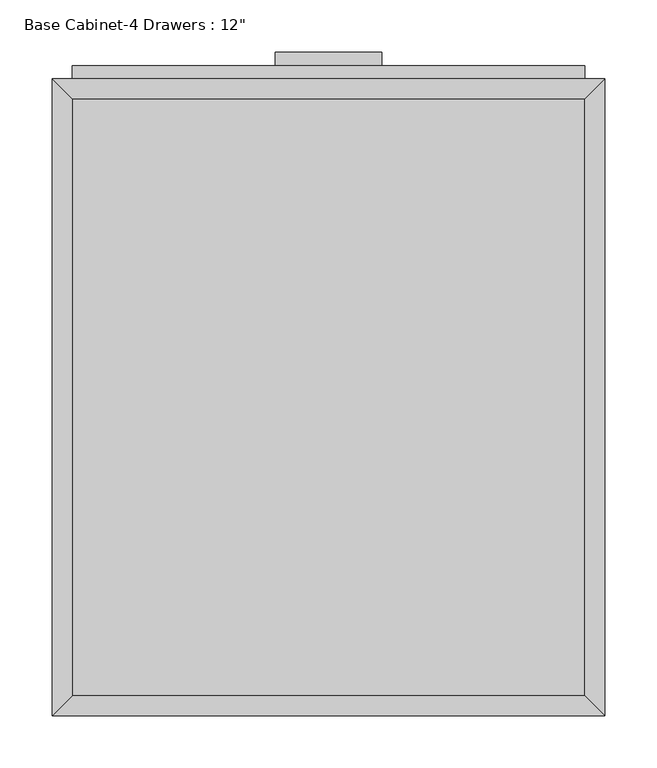
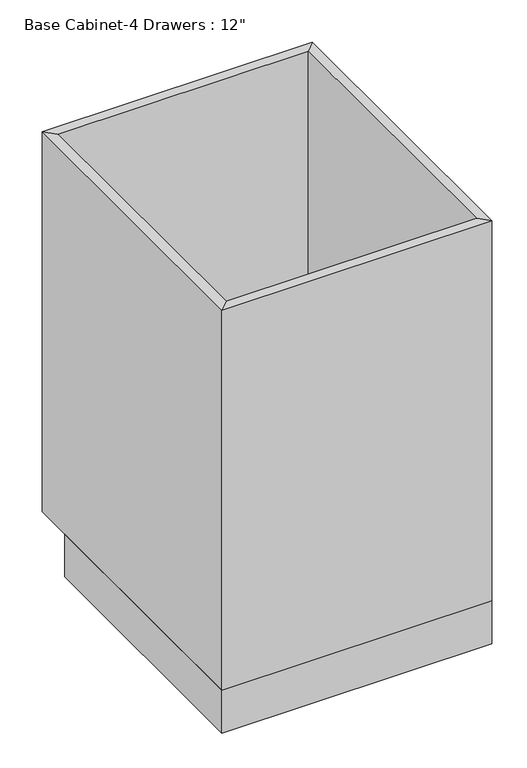
"""IFC4 building model written with IfcOpenShell, lengths in millimetres: furniture geometry."""

from ifc_helpers import new_model, si_unit, frame, origin, origin_with_axes, place, context, project, spatial, polyline, outline, extrude, faceted_brep, source, transform, mapped, element, save


def furniture_ccf27f4e(model_context):
    return source(origin(), model_context, "Body", "SolidModel", [
        extrude(outline(polyline([(69.5377049, 635.0), (69.5377049, 622.3), (-32.0622951, 622.3), (-32.0622951, 635.0), (69.5377049, 635.0)])), frame((0.0, 0.0, 819.15), z_axis=(0.0, 0.0, 1.0), x_axis=(1.0, 0.0, 0.0)), (0.0, 0.0, 1.0), 12.7),
        extrude(outline(polyline([(69.5377049, 635.0), (69.5377049, 622.3), (-32.0622951, 622.3), (-32.0622951, 635.0), (69.5377049, 635.0)])), frame((0.0, 0.0, 698.5), z_axis=(0.0, 0.0, 1.0), x_axis=(1.0, 0.0, 0.0)), (0.0, 0.0, 1.0), 12.7),
        extrude(outline(polyline([(69.5377049, 635.0), (69.5377049, 622.3), (-32.0622951, 622.3), (-32.0622951, 635.0), (69.5377049, 635.0)])), frame((0.0, 0.0, 546.1), z_axis=(0.0, 0.0, 1.0), x_axis=(1.0, 0.0, 0.0)), (0.0, 0.0, 1.0), 12.7),
        extrude(outline(polyline([(69.5377049, 635.0), (69.5377049, 622.3), (-32.0622951, 622.3), (-32.0622951, 635.0), (69.5377049, 635.0)])), frame((0.0, 0.0, 393.7), z_axis=(0.0, 0.0, 1.0), x_axis=(1.0, 0.0, 0.0)), (0.0, 0.0, 1.0), 12.7),
        extrude(outline(polyline([(264.0945785, 622.3), (264.0945785, 609.6), (-226.6191687, 609.6), (-226.6191687, 622.3), (264.0945785, 622.3)])), frame((0.0, 0.0, 749.3), z_axis=(0.0, 0.0, 1.0), x_axis=(1.0, 0.0, 0.0)), (0.0, 0.0, 1.0), 107.95),
        extrude(outline(polyline([(264.0945785, 622.3), (264.0945785, 609.6), (-226.6191687, 609.6), (-226.6191687, 622.3), (264.0945785, 622.3)])), frame((0.0, 0.0, 596.9), z_axis=(0.0, 0.0, 1.0), x_axis=(1.0, 0.0, 0.0)), (0.0, 0.0, 1.0), 139.7),
        extrude(outline(polyline([(264.0945785, 622.3), (264.0945785, 609.6), (-226.6191687, 609.6), (-226.6191687, 622.3), (264.0945785, 622.3)])), frame((0.0, 0.0, 444.5), z_axis=(0.0, 0.0, 1.0), x_axis=(1.0, 0.0, 0.0)), (0.0, 0.0, 1.0), 139.7),
        extrude(outline(polyline([(264.0945785, 622.3), (264.0945785, 609.6), (-226.6191687, 609.6), (-226.6191687, 622.3), (264.0945785, 622.3)])), frame((0.0, 0.0, 120.65), z_axis=(0.0, 0.0, 1.0), x_axis=(1.0, 0.0, 0.0)), (0.0, 0.0, 1.0), 311.15),
        extrude(outline(polyline([(264.0945785, 19.05), (-226.6191687, 19.05), (-226.6191687, 590.55), (264.0945785, 590.55), (264.0945785, 19.05)])), frame((0.0, 0.0, 88.9), z_axis=(0.0, 0.0, 1.0), x_axis=(1.0, 0.0, 0.0)), (0.0, 0.0, 1.0), 19.05),
        faceted_brep([(264.0945785, 590.55, 876.3), (-226.6191687, 590.55, 876.3), (-226.6191687, 590.55, 88.9), (264.0945785, 590.55, 88.9), (283.1445785, 609.6, 876.3), (-245.6691687, 609.6, 876.3), (283.1445785, 609.6, 88.9), (-245.6691687, 609.6, 88.9), (-226.6191687, 19.05, 876.3), (-226.6191687, 19.05, 88.9), (-245.6691687, 0.0, 876.3), (-245.6691687, 0.0, 88.9), (264.0945785, 19.05, 876.3), (264.0945785, 19.05, 88.9), (283.1445785, 0.0, 876.3), (283.1445785, 0.0, 88.9)], [[[0, 1, 2, 3]], [[4, 5, 1, 0]], [[6, 7, 5, 4]], [[3, 2, 7, 6]], [[1, 8, 9, 2]], [[5, 10, 8, 1]], [[7, 11, 10, 5]], [[2, 9, 11, 7]], [[8, 12, 13, 9]], [[10, 14, 12, 8]], [[11, 15, 14, 10]], [[9, 13, 15, 11]], [[12, 0, 3, 13]], [[14, 4, 0, 12]], [[15, 6, 4, 14]], [[13, 3, 6, 15]]]),
        extrude(outline(polyline([(283.1445785, 0.0), (-245.6691687, 0.0), (-245.6691687, 533.4), (283.1445785, 533.4), (283.1445785, 0.0)])), origin_with_axes(), (0.0, 0.0, 1.0), 88.9),
    ])


if __name__ == "__main__":
    model = new_model("IFC4")
    model_context = context("Model", 3, world=origin())
    ifc_project = project(units=[si_unit("LENGTHUNIT", "METRE", prefix="MILLI")], contexts=[model_context])
    site = spatial("IfcSite", under=ifc_project)
    building = spatial("IfcBuilding", under=site)
    placement = place(None, origin())
    furniture_shape = furniture_ccf27f4e(model_context)
    element("IfcFurniture", 1, ObjectType="Base Cabinet-4 Drawers : 12\"", at=placement, inside=building, context=model_context, shape_type="MappedRepresentation", body=[
        mapped(furniture_shape, transform((0.0, 0.0, 0.0), x_axis=(1.0, 0.0, 0.0), y_axis=(0.0, 1.0, 0.0), z_axis=(0.0, 0.0, 1.0))),
    ])
    save(model, "model.ifc")
